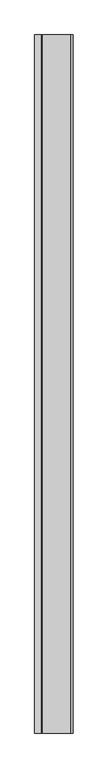
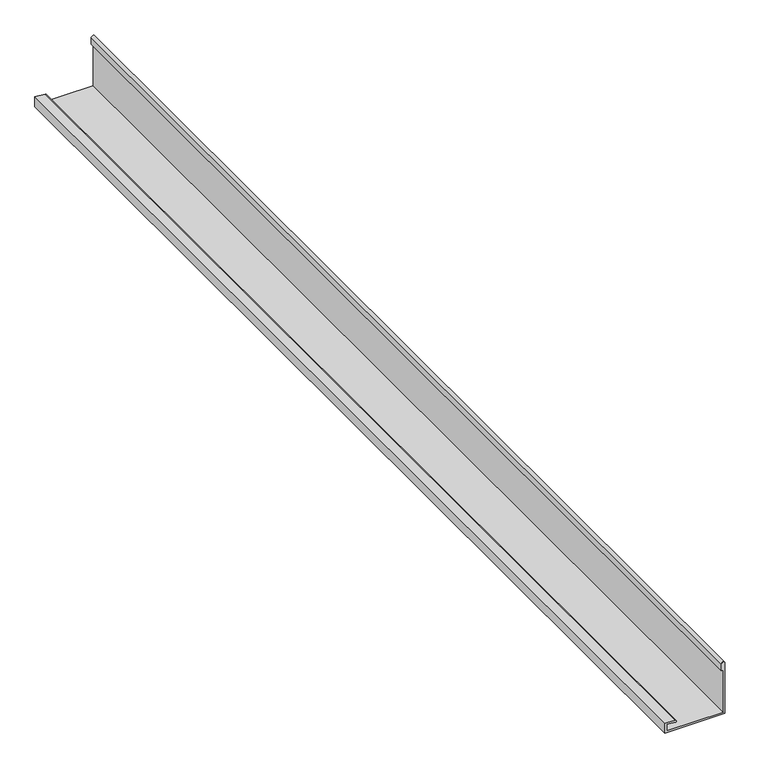
"""IFC4 building model written with IfcOpenShell, lengths in millimetres: proxy geometry."""

from ifc_helpers import new_model, si_unit, point, frame, frame_2d, origin, place, context, project, spatial, polyline, circle_curve, trimmed, segment, composite_curve, outline, extrude, source, transform, mapped, element, save


def generic_models_2a16b896(model_context):
    return source(origin(), model_context, "Body", "SweptSolid", [
        extrude(outline(composite_curve([segment(polyline([(3799.2452806, -1415.481876), (3799.2452806, -1245.481876), (3949.6655464, -1245.481876)]), True, "CONTINUOUS"), segment(trimmed(circle_curve(frame_2d((3949.6655464, -1250.481876)), 5.0), [point((3949.6655464, -1245.481876))], [point((3949.6655464, -1255.481876))], False, "CARTESIAN"), True, "CONTINUOUS"), segment(polyline([(3949.6655464, -1255.481876), (3929.6655464, -1255.481876), (3929.6655464, -1250.481876), (3804.2452806, -1250.481876), (3804.2452806, -1410.481876), (3823.7887381, -1410.481876), (3821.6496348, -1386.0318138)]), True, "CONTINUOUS"), segment(trimmed(circle_curve(frame_2d((3824.1401216, -1385.8139244)), 2.5), [point((3821.6496348, -1386.0318138))], [point((3826.6306083, -1385.5960351))], False, "CARTESIAN"), True, "CONTINUOUS"), segment(polyline([(3826.6306083, -1385.5960351), (3829.2452806, -1415.481876), (3799.2452806, -1415.481876)]), True, "CONTINUOUS")], self_intersect=False)), frame((0.0, -4501.6784404, 0.0), z_axis=(0.0, 1.0, 0.0), x_axis=(0.0, 0.0, 1.0)), (0.0, 0.0, 1.0), 3090.0),
    ])


if __name__ == "__main__":
    model = new_model("IFC4")
    model_context = context("Model", 3, world=origin())
    ifc_project = project(units=[si_unit("LENGTHUNIT", "METRE", prefix="MILLI")], contexts=[model_context])
    site = spatial("IfcSite", under=ifc_project)
    building = spatial("IfcBuilding", under=site)
    placement = place(None, origin())
    generic_models_shape = generic_models_2a16b896(model_context)
    element("IfcBuildingElementProxy", 1, Name="Generic Models", at=placement, inside=building, context=model_context, shape_type="MappedRepresentation", body=[
        mapped(generic_models_shape, transform((0.0, 0.0, 0.0), x_axis=(1.0, 0.0, 0.0), y_axis=(0.0, 1.0, 0.0), z_axis=(0.0, 0.0, 1.0))),
    ])
    save(model, "model.ifc")
